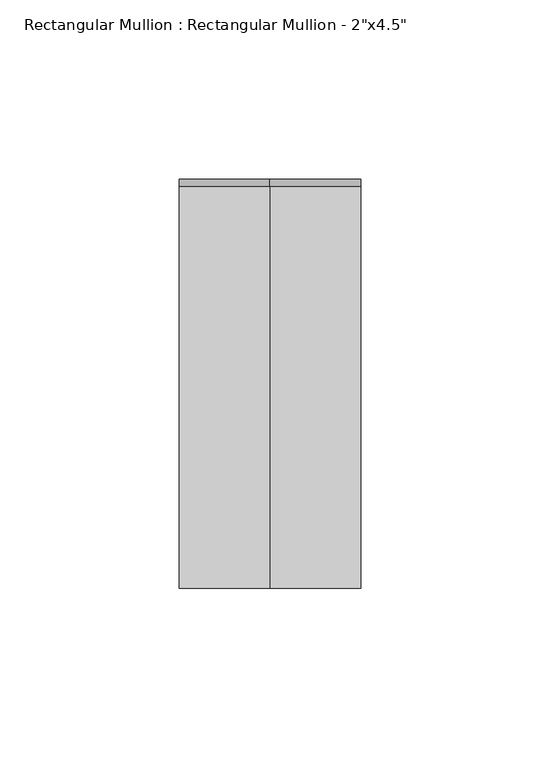
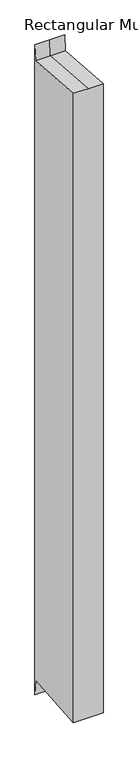
"""IFC4 building model written with IfcOpenShell, lengths in millimetres: member geometry."""

from ifc_helpers import new_model, si_unit, origin, place, context, project, spatial, faceted_brep, source, transform, mapped, element, save


def member_f5d77fe3(model_context):
    return source(origin(), model_context, "Body", "Brep", [
        faceted_brep([(-25.4, 57.15, 23.2378153), (0.0, 57.15, 23.2378153), (25.4, 57.15, 23.2378153), (25.4, 57.15, -1154.6618513), (0.0, 57.15, -1154.6618513), (-25.4, 57.15, -1154.6618513), (-25.4, -57.15, 4.25775), (-25.4, 55.0674329, -4.2455786), (-25.4, 55.0674329, -1127.1784574), (-25.4, -57.15, -1135.681786), (25.4, -57.15, 4.25775), (0.0, -57.15, 4.25775), (0.0, -57.15, -1135.681786), (25.4, -57.15, -1135.681786), (25.4, 55.0674329, -4.2455786), (25.4, 55.0674329, -1127.1784574), (0.0, 55.0674329, -4.2455786), (0.0, 55.0674329, -1127.1784574)], [[[0, 1, 2, 3, 4, 5]], [[6, 7, 0, 5, 8, 9]], [[10, 11, 6, 9, 12, 13]], [[2, 14, 10, 13, 15, 3]], [[2, 1, 16, 14]], [[1, 0, 7, 16]], [[7, 6, 11, 16]], [[11, 10, 14, 16]], [[3, 15, 17, 4]], [[15, 13, 12, 17]], [[12, 9, 8, 17]], [[8, 5, 4, 17]]]),
    ])


if __name__ == "__main__":
    model = new_model("IFC4")
    model_context = context("Model", 3, world=origin())
    ifc_project = project(units=[si_unit("LENGTHUNIT", "METRE", prefix="MILLI")], contexts=[model_context])
    site = spatial("IfcSite", under=ifc_project)
    building = spatial("IfcBuilding", under=site)
    placement = place(None, origin())
    member_shape = member_f5d77fe3(model_context)
    element("IfcMember", 1, ObjectType="Rectangular Mullion : Rectangular Mullion - 2\"x4.5\"", at=placement, inside=building, context=model_context, shape_type="MappedRepresentation", body=[
        mapped(member_shape, transform((0.0, 0.0, 0.0), x_axis=(1.0, 0.0, 0.0), y_axis=(0.0, 1.0, 0.0), z_axis=(0.0, 0.0, 1.0))),
    ])
    save(model, "model.ifc")
